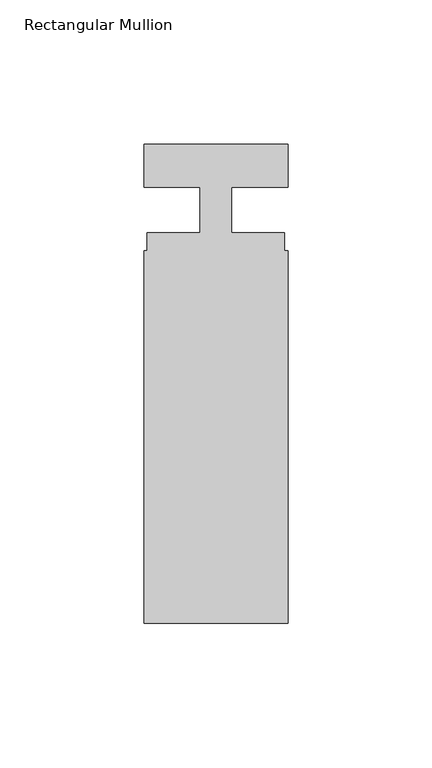
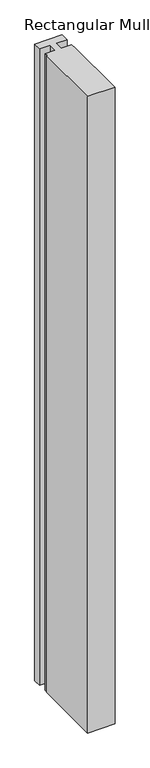
"""IFC4 building model written with IfcOpenShell, lengths in millimetres: member geometry, Rectangular Mullion."""

import ifcopenshell
import ifcopenshell.guid

model = None  # the IFC model being written
_history = None  # IfcOwnerHistory: only IFC2X3 demands one
_inside = {}  # id of a spatial element -> (the spatial element, [elements in it])
_under = {}  # id of a project, library or spatial element -> (it, [spatial elements below it])
_declared = {}  # id of a project -> (the project, [libraries it declares])
_typed = {}  # id of a type object -> (the type object, [elements of that type])
_made_of = {}  # id of a material, layer set ... -> (it, [elements and type objects made of it])


def new_model(schema):
    """Start an empty IFC model of exactly this schema.

    Asked for "IFC4X3", IfcOpenShell would pick the latest addendum, in which some entities
    have other attributes; the version numbers below select the first issue.
    IFC2X3 requires an IfcOwnerHistory on every rooted entity: one is made here for all.
    """
    global model, _history
    if schema == "IFC4X3":
        model = ifcopenshell.file(schema_version=(4, 3, 0, 0))
    else:
        model = ifcopenshell.file(schema=schema)
    _inside.clear()
    _under.clear()
    _declared.clear()
    _typed.clear()
    _made_of.clear()
    _history = None
    if model.schema == "IFC2X3":
        org = make("IfcOrganization", Name="unknown")
        user = make(
            "IfcPersonAndOrganization",
            ThePerson=make("IfcPerson", FamilyName="unknown"),
            TheOrganization=org,
        )
        app = make(
            "IfcApplication",
            ApplicationDeveloper=org,
            Version="unknown",
            ApplicationFullName="unknown",
            ApplicationIdentifier="unknown",
        )
        _history = make(
            "IfcOwnerHistory",
            OwningUser=user,
            OwningApplication=app,
            ChangeAction="ADDED",
            CreationDate=0,
        )
    return model


def make(cls, **values):
    """One entity of the class cls with the attributes given. An attribute that is None is left unset."""
    return model.create_entity(
        cls, **{name: value for name, value in values.items() if value is not None}
    )


def rooted(cls, **values):
    """An entity with a GlobalId (a new one), such as an element, a storey or a relation."""
    return make(cls, GlobalId=ifcopenshell.guid.new(), OwnerHistory=_history, **values)


def si_unit(unit_type, name, prefix=None):
    """IfcSIUnit, for example si_unit("LENGTHUNIT", "METRE", prefix="MILLI")."""
    return make("IfcSIUnit", UnitType=unit_type, Prefix=prefix, Name=name)


def assignment(units):
    """IfcUnitAssignment: the units of a project."""
    return None if units is None else make("IfcUnitAssignment", Units=units)


def point(xyz):
    """IfcCartesianPoint."""
    return None if xyz is None else make("IfcCartesianPoint", Coordinates=xyz)


def direction(xyz):
    """IfcDirection."""
    return None if xyz is None else make("IfcDirection", DirectionRatios=xyz)


def frame(location, z_axis=None, x_axis=None):
    """IfcAxis2Placement3D, a coordinate frame: its origin and axes. An axis left out is left unset."""
    return make(
        "IfcAxis2Placement3D",
        Location=point(location),
        Axis=direction(z_axis),
        RefDirection=direction(x_axis),
    )


def origin():
    """The frame at (0, 0, 0) with its axes left unset."""
    return frame((0.0, 0.0, 0.0))


def place(relative_to, where):
    """IfcLocalPlacement: puts the frame where relative to a parent placement (None: the world)."""
    return make(
        "IfcLocalPlacement", PlacementRelTo=relative_to, RelativePlacement=where
    )


def context(
    kind, dimensions, precision=None, world=None, true_north=None, identifier=None
):
    """IfcGeometricRepresentationContext, for example the 3D "Model" context."""
    return make(
        "IfcGeometricRepresentationContext",
        ContextIdentifier=identifier,
        ContextType=kind,
        CoordinateSpaceDimension=dimensions,
        Precision=precision,
        WorldCoordinateSystem=world,
        TrueNorth=true_north,
    )


def project(units=None, contexts=None):
    """IfcProject with its units and contexts."""
    return rooted(
        "IfcProject",
        Name="project",
        RepresentationContexts=contexts,
        UnitsInContext=assignment(units),
    )


def spatial(cls, under=None, at=None, **own):
    """A site, building, storey or space (cls), placed at a placement, below another one or the project."""
    s = rooted(cls, ObjectPlacement=at, **own)
    if under is not None:
        _under.setdefault(under.id(), (under, []))[1].append(s)
    return s


def polyline(points):
    """IfcPolyline through the points."""
    return make("IfcPolyline", Points=[point(p) for p in points])


def outline(outer, holes=None, kind="AREA"):
    """IfcArbitraryClosedProfileDef: a profile drawn as a closed curve; with holes, ...WithVoids."""
    if holes is None:
        return make("IfcArbitraryClosedProfileDef", ProfileType=kind, OuterCurve=outer)
    return make(
        "IfcArbitraryProfileDefWithVoids",
        ProfileType=kind,
        OuterCurve=outer,
        InnerCurves=holes,
    )


def extrude(swept, where, along, depth):
    """IfcExtrudedAreaSolid: the profile swept, set in the frame where, extruded along a direction by depth."""
    return make(
        "IfcExtrudedAreaSolid",
        SweptArea=swept,
        Position=where,
        ExtrudedDirection=direction(along),
        Depth=depth,
    )


def shape(context_of_items, identifier, shape_type, items):
    """IfcShapeRepresentation: the items that make up one representation, for example the "Body"."""
    return make(
        "IfcShapeRepresentation",
        ContextOfItems=context_of_items,
        RepresentationIdentifier=identifier,
        RepresentationType=shape_type,
        Items=items,
    )


def source(mapping_origin, context_of_items, identifier, shape_type, items):
    """IfcRepresentationMap: a shape defined once, which mapped items show again and again."""
    return make(
        "IfcRepresentationMap",
        MappingOrigin=mapping_origin,
        MappedRepresentation=shape(context_of_items, identifier, shape_type, items),
    )


def transform(
    local_origin,
    x_axis=None,
    y_axis=None,
    z_axis=None,
    scale=None,
    scale2=None,
    scale3=None,
    uniform=True,
):
    """IfcCartesianTransformationOperator3D, or its non-uniform kind. x_axis, y_axis, z_axis: its Axis1, 2, 3."""
    if uniform:
        return make(
            "IfcCartesianTransformationOperator3D",
            Axis1=direction(x_axis),
            Axis2=direction(y_axis),
            LocalOrigin=point(local_origin),
            Scale=scale,
            Axis3=direction(z_axis),
        )
    return make(
        "IfcCartesianTransformationOperator3DnonUniform",
        Axis1=direction(x_axis),
        Axis2=direction(y_axis),
        LocalOrigin=point(local_origin),
        Scale=scale,
        Axis3=direction(z_axis),
        Scale2=scale2,
        Scale3=scale3,
    )


def mapped(mapping_source, mapping_target):
    """IfcMappedItem: shows the shape of a source again, moved by a transform."""
    return make(
        "IfcMappedItem", MappingSource=mapping_source, MappingTarget=mapping_target
    )


def made_of(thing, what):
    """Note that an element or type object is made of a material, layer set ...; save() writes the relation."""
    if what is not None:
        _made_of.setdefault(what.id(), (what, []))[1].append(thing)
    return thing


def element(
    cls,
    number,
    at=None,
    inside=None,
    cuts=None,
    type_object=None,
    material=None,
    context=None,
    identifier="Body",
    shape_type=None,
    held_by="IfcProductDefinitionShape",
    body=None,
    shapes=None,
    **own,
):
    """One element of the class cls, such as IfcWall. Its Tag is "e" and its number.

    at: its placement. inside: the storey or other place that contains it. cuts: it is an
    opening in that element (IfcRelVoidsElement). A single representation is given by context,
    identifier, shape_type and body (its items); several are given by shapes. held_by: the class
    of the entity that holds the representations. save() writes the other relations.
    """
    e = rooted(cls, Tag="e%d" % number, ObjectPlacement=at, **own)
    if body is not None:
        shapes = [shape(context, identifier, shape_type, body)]
    if shapes is not None:
        e.Representation = make(held_by, Representations=shapes)
    if inside is not None:
        _inside.setdefault(inside.id(), (inside, []))[1].append(e)
    if cuts is not None:
        rooted(
            "IfcRelVoidsElement", RelatingBuildingElement=cuts, RelatedOpeningElement=e
        )
    if type_object is not None:
        _typed.setdefault(type_object.id(), (type_object, []))[1].append(e)
    return made_of(e, material)


def aggregate(whole, parts):
    """IfcRelAggregates: a whole, such as a stair, and the parts it consists of."""
    return rooted("IfcRelAggregates", RelatingObject=whole, RelatedObjects=parts)


def save(model, path):
    """Write the relations noted so far, then the file.

    IfcRelAggregates (storeys below a building ...), IfcRelContainedInSpatialStructure (elements
    in a storey), IfcRelDefinesByType, IfcRelAssociatesMaterial and IfcRelDeclares: one each for
    every whole, place, type object, material and project.
    """
    for whole, parts in _under.values():
        aggregate(whole, parts)
    for where, things in _inside.values():
        rooted(
            "IfcRelContainedInSpatialStructure",
            RelatedElements=things,
            RelatingStructure=where,
        )
    for kind, things in _typed.values():
        rooted("IfcRelDefinesByType", RelatedObjects=things, RelatingType=kind)
    for what, things in _made_of.values():
        rooted("IfcRelAssociatesMaterial", RelatedObjects=things, RelatingMaterial=what)
    for by, libraries in _declared.values():
        rooted("IfcRelDeclares", RelatingContext=by, RelatedDefinitions=libraries)
    model.write(path)


def rectangular_mullion_f01af4c7(model_context):
    return source(origin(), model_context, "Body", "SweptSolid", [
        extrude(outline(polyline([(-50.0, -140.3), (-50.0, -11.0), (-48.9, -11.0), (-48.9, -4.8), (-30.5, -4.8), (-30.5, 11.0), (-50.0, 11.0), (-50.0, 26.0), (0.0, 26.0), (0.0, 11.0), (-19.5000002, 11.0), (-19.5000002, -4.8), (-1.1, -4.8), (-1.1, -11.0), (0.0, -11.0), (0.0, -140.3), (-50.0, -140.3)])), frame((0.0, 0.0, -1225.0), z_axis=(0.0, 0.0, 1.0), x_axis=(1.0, 0.0, 0.0)), (0.0, 0.0, 1.0), 1225.0),
    ])


if __name__ == "__main__":
    model = new_model("IFC4")
    model_context = context("Model", 3, world=origin())
    ifc_project = project(units=[si_unit("LENGTHUNIT", "METRE", prefix="MILLI")], contexts=[model_context])
    site = spatial("IfcSite", under=ifc_project)
    building = spatial("IfcBuilding", under=site)
    placement = place(None, origin())
    rectangular_mullion_shape = rectangular_mullion_f01af4c7(model_context)
    element("IfcMember", 1, ObjectType="Rectangular Mullion", at=placement, inside=building, context=model_context, shape_type="MappedRepresentation", body=[
        mapped(rectangular_mullion_shape, transform((0.0, 0.0, 0.0), x_axis=(1.0, 0.0, 0.0), y_axis=(0.0, 1.0, 0.0), z_axis=(0.0, 0.0, 1.0))),
    ])
    save(model, "model.ifc")
